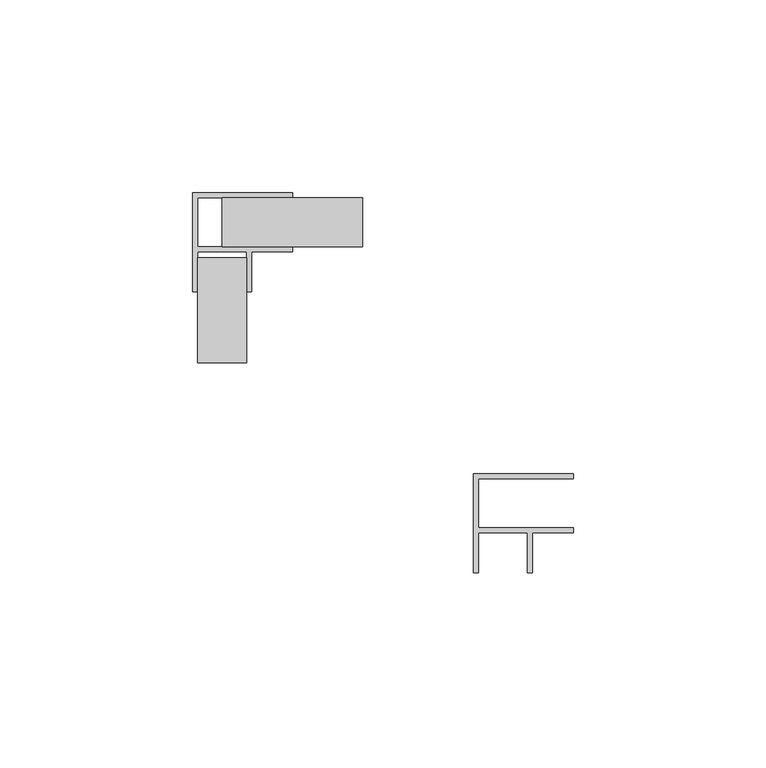
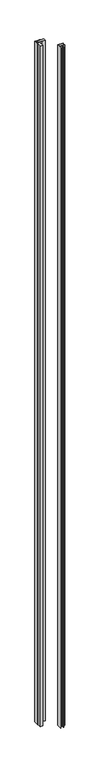
"""IFC4 building model written with IfcOpenShell, lengths in millimetres: column geometry."""

import ifcopenshell
import ifcopenshell.guid

model = None  # the IFC model being written
_history = None  # IfcOwnerHistory: only IFC2X3 demands one
_inside = {}  # id of a spatial element -> (the spatial element, [elements in it])
_under = {}  # id of a project, library or spatial element -> (it, [spatial elements below it])
_declared = {}  # id of a project -> (the project, [libraries it declares])
_typed = {}  # id of a type object -> (the type object, [elements of that type])
_made_of = {}  # id of a material, layer set ... -> (it, [elements and type objects made of it])


def new_model(schema):
    """Start an empty IFC model of exactly this schema.

    Asked for "IFC4X3", IfcOpenShell would pick the latest addendum, in which some entities
    have other attributes; the version numbers below select the first issue.
    IFC2X3 requires an IfcOwnerHistory on every rooted entity: one is made here for all.
    """
    global model, _history
    if schema == "IFC4X3":
        model = ifcopenshell.file(schema_version=(4, 3, 0, 0))
    else:
        model = ifcopenshell.file(schema=schema)
    _inside.clear()
    _under.clear()
    _declared.clear()
    _typed.clear()
    _made_of.clear()
    _history = None
    if model.schema == "IFC2X3":
        org = make("IfcOrganization", Name="unknown")
        user = make(
            "IfcPersonAndOrganization",
            ThePerson=make("IfcPerson", FamilyName="unknown"),
            TheOrganization=org,
        )
        app = make(
            "IfcApplication",
            ApplicationDeveloper=org,
            Version="unknown",
            ApplicationFullName="unknown",
            ApplicationIdentifier="unknown",
        )
        _history = make(
            "IfcOwnerHistory",
            OwningUser=user,
            OwningApplication=app,
            ChangeAction="ADDED",
            CreationDate=0,
        )
    return model


def make(cls, **values):
    """One entity of the class cls with the attributes given. An attribute that is None is left unset."""
    return model.create_entity(
        cls, **{name: value for name, value in values.items() if value is not None}
    )


def rooted(cls, **values):
    """An entity with a GlobalId (a new one), such as an element, a storey or a relation."""
    return make(cls, GlobalId=ifcopenshell.guid.new(), OwnerHistory=_history, **values)


def si_unit(unit_type, name, prefix=None):
    """IfcSIUnit, for example si_unit("LENGTHUNIT", "METRE", prefix="MILLI")."""
    return make("IfcSIUnit", UnitType=unit_type, Prefix=prefix, Name=name)


def assignment(units):
    """IfcUnitAssignment: the units of a project."""
    return None if units is None else make("IfcUnitAssignment", Units=units)


def point(xyz):
    """IfcCartesianPoint."""
    return None if xyz is None else make("IfcCartesianPoint", Coordinates=xyz)


def direction(xyz):
    """IfcDirection."""
    return None if xyz is None else make("IfcDirection", DirectionRatios=xyz)


def frame(location, z_axis=None, x_axis=None):
    """IfcAxis2Placement3D, a coordinate frame: its origin and axes. An axis left out is left unset."""
    return make(
        "IfcAxis2Placement3D",
        Location=point(location),
        Axis=direction(z_axis),
        RefDirection=direction(x_axis),
    )


def origin():
    """The frame at (0, 0, 0) with its axes left unset."""
    return frame((0.0, 0.0, 0.0))


def place(relative_to, where):
    """IfcLocalPlacement: puts the frame where relative to a parent placement (None: the world)."""
    return make(
        "IfcLocalPlacement", PlacementRelTo=relative_to, RelativePlacement=where
    )


def context(
    kind, dimensions, precision=None, world=None, true_north=None, identifier=None
):
    """IfcGeometricRepresentationContext, for example the 3D "Model" context."""
    return make(
        "IfcGeometricRepresentationContext",
        ContextIdentifier=identifier,
        ContextType=kind,
        CoordinateSpaceDimension=dimensions,
        Precision=precision,
        WorldCoordinateSystem=world,
        TrueNorth=true_north,
    )


def project(units=None, contexts=None):
    """IfcProject with its units and contexts."""
    return rooted(
        "IfcProject",
        Name="project",
        RepresentationContexts=contexts,
        UnitsInContext=assignment(units),
    )


def spatial(cls, under=None, at=None, **own):
    """A site, building, storey or space (cls), placed at a placement, below another one or the project."""
    s = rooted(cls, ObjectPlacement=at, **own)
    if under is not None:
        _under.setdefault(under.id(), (under, []))[1].append(s)
    return s


def polyline(points):
    """IfcPolyline through the points."""
    return make("IfcPolyline", Points=[point(p) for p in points])


def outline(outer, holes=None, kind="AREA"):
    """IfcArbitraryClosedProfileDef: a profile drawn as a closed curve; with holes, ...WithVoids."""
    if holes is None:
        return make("IfcArbitraryClosedProfileDef", ProfileType=kind, OuterCurve=outer)
    return make(
        "IfcArbitraryProfileDefWithVoids",
        ProfileType=kind,
        OuterCurve=outer,
        InnerCurves=holes,
    )


def extrude(swept, where, along, depth):
    """IfcExtrudedAreaSolid: the profile swept, set in the frame where, extruded along a direction by depth."""
    return make(
        "IfcExtrudedAreaSolid",
        SweptArea=swept,
        Position=where,
        ExtrudedDirection=direction(along),
        Depth=depth,
    )


def shape(context_of_items, identifier, shape_type, items):
    """IfcShapeRepresentation: the items that make up one representation, for example the "Body"."""
    return make(
        "IfcShapeRepresentation",
        ContextOfItems=context_of_items,
        RepresentationIdentifier=identifier,
        RepresentationType=shape_type,
        Items=items,
    )


def source(mapping_origin, context_of_items, identifier, shape_type, items):
    """IfcRepresentationMap: a shape defined once, which mapped items show again and again."""
    return make(
        "IfcRepresentationMap",
        MappingOrigin=mapping_origin,
        MappedRepresentation=shape(context_of_items, identifier, shape_type, items),
    )


def transform(
    local_origin,
    x_axis=None,
    y_axis=None,
    z_axis=None,
    scale=None,
    scale2=None,
    scale3=None,
    uniform=True,
):
    """IfcCartesianTransformationOperator3D, or its non-uniform kind. x_axis, y_axis, z_axis: its Axis1, 2, 3."""
    if uniform:
        return make(
            "IfcCartesianTransformationOperator3D",
            Axis1=direction(x_axis),
            Axis2=direction(y_axis),
            LocalOrigin=point(local_origin),
            Scale=scale,
            Axis3=direction(z_axis),
        )
    return make(
        "IfcCartesianTransformationOperator3DnonUniform",
        Axis1=direction(x_axis),
        Axis2=direction(y_axis),
        LocalOrigin=point(local_origin),
        Scale=scale,
        Axis3=direction(z_axis),
        Scale2=scale2,
        Scale3=scale3,
    )


def mapped(mapping_source, mapping_target):
    """IfcMappedItem: shows the shape of a source again, moved by a transform."""
    return make(
        "IfcMappedItem", MappingSource=mapping_source, MappingTarget=mapping_target
    )


def made_of(thing, what):
    """Note that an element or type object is made of a material, layer set ...; save() writes the relation."""
    if what is not None:
        _made_of.setdefault(what.id(), (what, []))[1].append(thing)
    return thing


def element(
    cls,
    number,
    at=None,
    inside=None,
    cuts=None,
    type_object=None,
    material=None,
    context=None,
    identifier="Body",
    shape_type=None,
    held_by="IfcProductDefinitionShape",
    body=None,
    shapes=None,
    **own,
):
    """One element of the class cls, such as IfcWall. Its Tag is "e" and its number.

    at: its placement. inside: the storey or other place that contains it. cuts: it is an
    opening in that element (IfcRelVoidsElement). A single representation is given by context,
    identifier, shape_type and body (its items); several are given by shapes. held_by: the class
    of the entity that holds the representations. save() writes the other relations.
    """
    e = rooted(cls, Tag="e%d" % number, ObjectPlacement=at, **own)
    if body is not None:
        shapes = [shape(context, identifier, shape_type, body)]
    if shapes is not None:
        e.Representation = make(held_by, Representations=shapes)
    if inside is not None:
        _inside.setdefault(inside.id(), (inside, []))[1].append(e)
    if cuts is not None:
        rooted(
            "IfcRelVoidsElement", RelatingBuildingElement=cuts, RelatedOpeningElement=e
        )
    if type_object is not None:
        _typed.setdefault(type_object.id(), (type_object, []))[1].append(e)
    return made_of(e, material)


def aggregate(whole, parts):
    """IfcRelAggregates: a whole, such as a stair, and the parts it consists of."""
    return rooted("IfcRelAggregates", RelatingObject=whole, RelatedObjects=parts)


def save(model, path):
    """Write the relations noted so far, then the file.

    IfcRelAggregates (storeys below a building ...), IfcRelContainedInSpatialStructure (elements
    in a storey), IfcRelDefinesByType, IfcRelAssociatesMaterial and IfcRelDeclares: one each for
    every whole, place, type object, material and project.
    """
    for whole, parts in _under.values():
        aggregate(whole, parts)
    for where, things in _inside.values():
        rooted(
            "IfcRelContainedInSpatialStructure",
            RelatedElements=things,
            RelatingStructure=where,
        )
    for kind, things in _typed.values():
        rooted("IfcRelDefinesByType", RelatedObjects=things, RelatingType=kind)
    for what, things in _made_of.values():
        rooted("IfcRelAssociatesMaterial", RelatedObjects=things, RelatingMaterial=what)
    for by, libraries in _declared.values():
        rooted("IfcRelDeclares", RelatingContext=by, RelatedDefinitions=libraries)
    model.write(path)


def column_8ec35e0f(model_context):
    return source(origin(), model_context, "Body", "SweptSolid", [
        extrude(outline(polyline([(54.7689824, -28.7912416), (54.7689824, -30.1111299), (30.133763, -30.1111299), (30.133763, -42.8111299), (54.7689824, -42.8111299), (54.7689824, -44.1310183), (44.1536514, -44.1310183), (44.1536514, -54.5784347), (42.833763, -54.5784347), (42.833763, -44.1310183), (30.133763, -44.1310183), (30.133763, -54.5784347), (28.8138747, -54.5784347), (28.8138747, -28.7912416), (54.7689824, -28.7912416)])), frame((0.0, 0.0, 14.1138425), z_axis=(0.0, 0.0, 1.0), x_axis=(1.0, 0.0, 0.0)), (0.0, 0.0, 1.0), 3629.397095),
        extrude(outline(polyline([(-42.8128906, 27.2055023), (-30.1128906, 27.2055023), (-30.1128906, 0.0), (-42.8128906, 0.0), (-42.8128906, 27.2055023)])), frame((0.0, 0.0, 14.1138425), z_axis=(0.0, 0.0, 1.0), x_axis=(1.0, 0.0, 0.0)), (0.0, 0.0, 1.0), 3629.397095),
        extrude(outline(polyline([(0.0, 30.1128906), (-36.4628906, 30.1128906), (-36.4628906, 42.8128906), (0.0, 42.8128906), (0.0, 30.1128906)])), frame((0.0, 0.0, 14.1138425), z_axis=(0.0, 0.0, 1.0), x_axis=(1.0, 0.0, 0.0)), (0.0, 0.0, 1.0), 3629.397095),
        extrude(outline(polyline([(-18.1776712, 44.132779), (-18.1776712, 42.8128906), (-42.8128906, 42.8128906), (-42.8128906, 30.1128906), (-18.1776712, 30.1128906), (-18.1776712, 28.7930023), (-28.7930023, 28.7930023), (-28.7930023, 18.3455858), (-30.1128906, 18.3455858), (-30.1128906, 28.7930023), (-42.8128906, 28.7930023), (-42.8128906, 18.3455858), (-44.132779, 18.3455858), (-44.132779, 44.132779), (-18.1776712, 44.132779)])), frame((0.0, 0.0, 14.1138425), z_axis=(0.0, 0.0, 1.0), x_axis=(1.0, 0.0, 0.0)), (0.0, 0.0, 1.0), 3629.397095),
    ])


if __name__ == "__main__":
    model = new_model("IFC4")
    model_context = context("Model", 3, world=origin())
    ifc_project = project(units=[si_unit("LENGTHUNIT", "METRE", prefix="MILLI")], contexts=[model_context])
    site = spatial("IfcSite", under=ifc_project)
    building = spatial("IfcBuilding", under=site)
    placement = place(None, origin())
    column_shape = column_8ec35e0f(model_context)
    element("IfcColumn", 1, at=placement, inside=building, context=model_context, shape_type="MappedRepresentation", body=[
        mapped(column_shape, transform((0.0, 0.0, 0.0), x_axis=(1.0, 0.0, 0.0), y_axis=(0.0, 1.0, 0.0), z_axis=(0.0, 0.0, 1.0))),
    ])
    save(model, "model.ifc")
